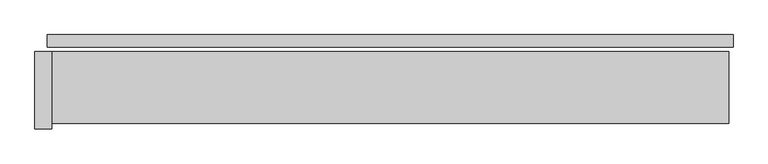
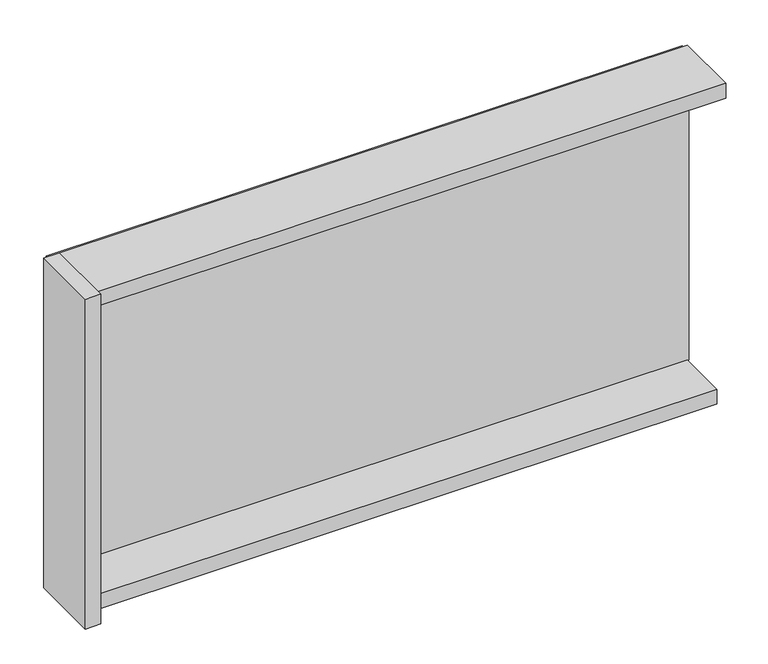
"""IFC4 building model written with IfcOpenShell, lengths in millimetres: plate geometry."""

from ifc_helpers import new_model, si_unit, frame, origin, origin_with_axes, place, context, project, spatial, polyline, outline, extrude, source, transform, mapped, element, save


def plate_587b46e3(model_context):
    return source(origin(), model_context, "Body", "SweptSolid", [
        extrude(outline(polyline([(1235.0, 0.0), (1235.0, -44.0), (-1235.0, -44.0), (-1235.0, 0.0), (1235.0, 0.0)])), origin_with_axes(), (0.0, 0.0, 1.0), 1264.465707),
        extrude(outline(polyline([(-1220.0, -60.0), (-1220.0, -340.0), (-1280.0, -340.0), (-1280.0, -60.0), (-1220.0, -60.0)])), frame((0.0, 0.0, -45.0), z_axis=(0.0, 0.0, 1.0), x_axis=(1.0, 0.0, 0.0)), (0.0, 0.0, 1.0), 1354.465707),
        extrude(outline(polyline([(1220.0, -260.0), (-1220.0, -260.0), (-1220.0, -60.0), (1220.0, -60.0), (1220.0, -260.0)])), frame((0.0, 0.0, -45.0), z_axis=(0.0, 0.0, 1.0), x_axis=(1.0, 0.0, 0.0)), (0.0, 0.0, 1.0), 60.0),
        extrude(outline(polyline([(1220.0, -60.0), (1220.0, -320.0), (-1220.0, -320.0), (-1220.0, -60.0), (1220.0, -60.0)])), frame((0.0, 0.0, 1249.465707), z_axis=(0.0, 0.0, 1.0), x_axis=(1.0, 0.0, 0.0)), (0.0, 0.0, 1.0), 60.0),
    ])


if __name__ == "__main__":
    model = new_model("IFC4")
    model_context = context("Model", 3, world=origin())
    ifc_project = project(units=[si_unit("LENGTHUNIT", "METRE", prefix="MILLI")], contexts=[model_context])
    site = spatial("IfcSite", under=ifc_project)
    building = spatial("IfcBuilding", under=site)
    placement = place(None, origin())
    plate_shape = plate_587b46e3(model_context)
    element("IfcPlate", 1, at=placement, inside=building, context=model_context, shape_type="MappedRepresentation", body=[
        mapped(plate_shape, transform((0.0, 0.0, 0.0), x_axis=(1.0, 0.0, 0.0), y_axis=(0.0, 1.0, 0.0), z_axis=(0.0, 0.0, 1.0))),
    ])
    save(model, "model.ifc")
